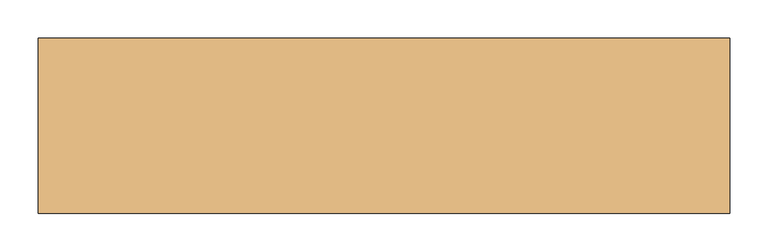
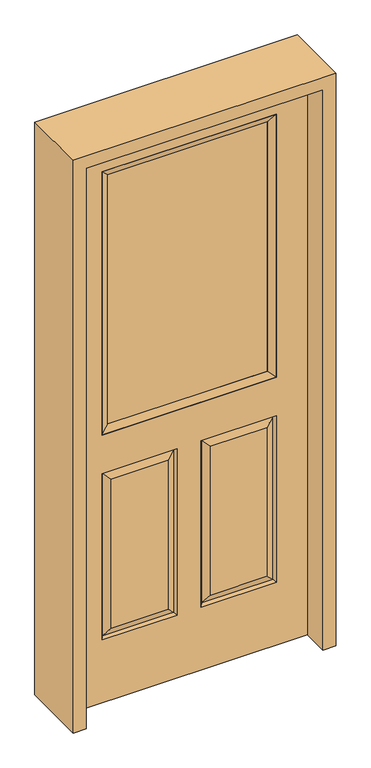
"""IFC4 building model written with IfcOpenShell, lengths in millimetres: door geometry."""

from ifc_helpers import new_model, si_unit, frame, origin, place, context, project, spatial, polyline, outline, extrude, faceted_brep, source, transform, mapped, element, save


def door_382bf6cb(model_context):
    return source(origin(), model_context, "Body", "SolidModel", [
        faceted_brep([(-406.4, 22.225, 0.0), (-406.4, 22.225, 2032.0), (406.4, 22.225, 2032.0), (406.4, 22.225, 0.0), (-299.339, 22.225, 971.55), (299.339, 22.225, 971.55), (299.339, 22.225, 1925.574), (-299.339, 22.225, 1925.574), (-299.339, 22.225, 831.85), (-299.339, 22.225, 228.6), (-41.275, 22.225, 228.6), (-41.275, 22.225, 831.85), (41.275, 22.225, 831.85), (41.275, 22.225, 228.6), (299.339, 22.225, 228.6), (299.339, 22.225, 831.85), (-73.025, 22.225, 800.1), (-73.025, 22.225, 260.35), (-267.589, 22.225, 260.35), (-267.589, 22.225, 800.1), (267.589, 22.225, 800.1), (267.589, 22.225, 260.35), (73.025, 22.225, 260.35), (73.025, 22.225, 800.1), (406.4, -22.225, 0.0), (-406.4, -22.225, 0.0), (406.4, -22.225, 2032.0), (-406.4, -22.225, 2032.0), (-299.339, -22.225, 1925.574), (-299.339, -22.225, 971.55), (299.339, -22.225, 971.55), (299.339, -22.225, 1925.574), (-41.275, -22.225, 831.85), (-41.275, -22.225, 228.6), (-299.339, -22.225, 228.6), (-299.339, -22.225, 831.85), (299.339, -22.225, 831.85), (299.339, -22.225, 228.6), (41.275, -22.225, 228.6), (41.275, -22.225, 831.85), (-267.589, -22.225, 800.1), (-267.589, -22.225, 260.35), (-73.025, -22.225, 260.35), (-73.025, -22.225, 800.1), (73.025, -22.225, 800.1), (73.025, -22.225, 260.35), (267.589, -22.225, 260.35), (267.589, -22.225, 800.1), (-292.19525, 12.7449236, 824.70625), (-48.41875, 12.7449236, 824.70625), (-292.19525, 12.7449236, 235.74375), (-48.41875, 12.7449236, 235.74375), (292.19525, 12.7449236, 824.70625), (48.41875, 12.7449236, 824.70625), (48.41875, 12.7449236, 235.74375), (292.19525, 12.7449236, 235.74375), (-292.19525, -12.7449236, 824.70625), (-48.41875, -12.7449236, 824.70625), (-48.41875, -12.7449236, 235.74375), (-292.19525, -12.7449236, 235.74375), (292.19525, -12.7449236, 824.70625), (48.41875, -12.7449236, 824.70625), (292.19525, -12.7449236, 235.74375), (48.41875, -12.7449236, 235.74375)], [[[0, 1, 2, 3], [4, 5, 6, 7], [8, 9, 10, 11], [12, 13, 14, 15]], [[16, 17, 18, 19]], [[20, 21, 22, 23]], [[3, 24, 25, 0]], [[2, 26, 24, 3]], [[0, 25, 27, 1]], [[7, 28, 29, 4]], [[5, 30, 31, 6]], [[4, 29, 30, 5]], [[25, 24, 26, 27], [29, 28, 31, 30], [32, 33, 34, 35], [36, 37, 38, 39]], [[40, 41, 42, 43]], [[44, 45, 46, 47]], [[1, 27, 26, 2]], [[6, 31, 28, 7]], [[16, 19, 48, 49]], [[19, 18, 50, 48]], [[51, 50, 18, 17]], [[49, 51, 17, 16]], [[48, 8, 11, 49]], [[11, 10, 51, 49]], [[10, 9, 50, 51]], [[48, 50, 9, 8]], [[52, 20, 23, 53]], [[23, 22, 54, 53]], [[22, 21, 55, 54]], [[52, 55, 21, 20]], [[53, 12, 15, 52]], [[15, 14, 55, 52]], [[54, 55, 14, 13]], [[53, 54, 13, 12]], [[56, 40, 43, 57]], [[43, 42, 58, 57]], [[42, 41, 59, 58]], [[56, 59, 41, 40]], [[57, 32, 35, 56]], [[35, 34, 59, 56]], [[58, 59, 34, 33]], [[57, 58, 33, 32]], [[44, 47, 60, 61]], [[47, 46, 62, 60]], [[63, 62, 46, 45]], [[61, 63, 45, 44]], [[60, 36, 39, 61]], [[39, 38, 63, 61]], [[38, 37, 62, 63]], [[60, 62, 37, 36]]]),
        extrude(outline(polyline([(273.939, 12.7), (273.939, -12.7), (-273.939, -12.7), (-273.939, 12.7), (273.939, 12.7)])), frame((0.0, 0.0, 996.95), z_axis=(0.0, 0.0, 1.0), x_axis=(1.0, 0.0, 0.0)), (0.0, 0.0, 1.0), 903.224),
        faceted_brep([(-299.339, 22.225, 1925.574), (-299.339, 22.225, 971.55), (-299.339, -22.225, 971.55), (-299.339, -22.225, 1925.574), (299.339, 22.225, 971.55), (299.339, -22.225, 971.55), (273.939, -12.7, 996.95), (-273.939, -12.7, 996.95), (299.339, 22.225, 1925.574), (299.339, -22.225, 1925.574), (-273.939, 12.7, 996.95), (273.939, 12.7, 996.95), (-273.939, 12.7, 1900.174), (273.939, 12.7, 1900.174), (-273.939, -12.7, 1900.174), (273.939, -12.7, 1900.174)], [[[0, 1, 2, 3]], [[1, 4, 5, 2]], [[2, 5, 6, 7]], [[4, 8, 9, 5]], [[10, 11, 4, 1]], [[12, 10, 1, 0]], [[11, 13, 8, 4]], [[7, 6, 11, 10]], [[14, 7, 10, 12]], [[6, 15, 13, 11]], [[3, 2, 7, 14]], [[5, 9, 15, 6]], [[8, 0, 3, 9]], [[13, 12, 0, 8]], [[15, 14, 12, 13]], [[9, 3, 14, 15]]]),
        extrude(outline(polyline([(0.0, -406.4), (2032.0, -406.4), (2032.0, 406.4), (0.0, 406.4), (0.0, 450.85), (2076.45, 450.85), (2076.45, -450.85), (0.0, -450.85), (0.0, -406.4)])), frame((0.0, -114.3, 0.0), z_axis=(0.0, 1.0, 0.0), x_axis=(0.0, 0.0, 1.0)), (0.0, 0.0, 1.0), 228.6),
    ])


if __name__ == "__main__":
    model = new_model("IFC4")
    model_context = context("Model", 3, world=origin())
    ifc_project = project(units=[si_unit("LENGTHUNIT", "METRE", prefix="MILLI")], contexts=[model_context])
    site = spatial("IfcSite", under=ifc_project)
    building = spatial("IfcBuilding", under=site)
    placement = place(None, origin())
    door_shape = door_382bf6cb(model_context)
    element("IfcDoor", 1, at=placement, inside=building, context=model_context, shape_type="MappedRepresentation", body=[
        mapped(door_shape, transform((0.0, 0.0, 0.0), x_axis=(1.0, 0.0, 0.0), y_axis=(0.0, 1.0, 0.0), z_axis=(0.0, 0.0, 1.0))),
    ])
    save(model, "model.ifc")
